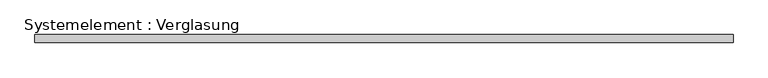
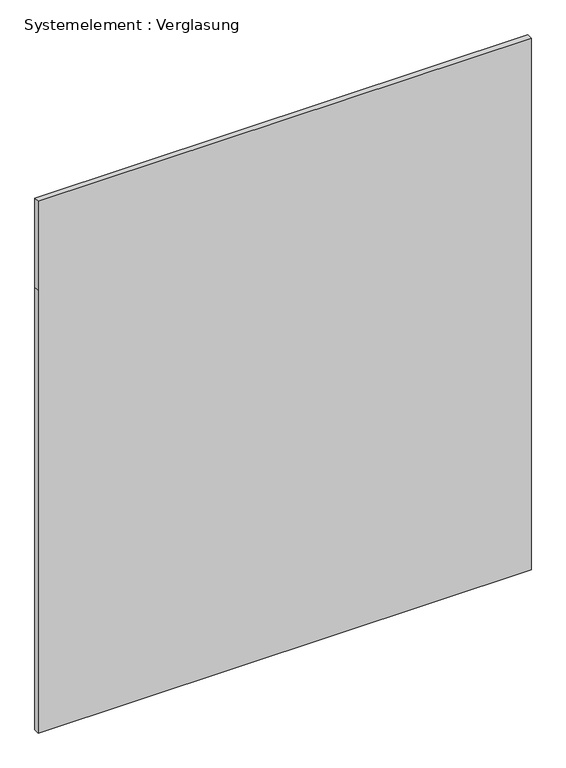
"""IFC4 building model written with IfcOpenShell, lengths in millimetres: plate geometry, Systemelement : Verglasung."""

from ifc_helpers import new_model, si_unit, frame, origin, place, context, project, spatial, polyline, outline, extrude, source, transform, mapped, element, save


def systemelement_verglasung_b7e95e0c(model_context):
    return source(origin(), model_context, "Body", "SweptSolid", [
        extrude(outline(polyline([(0.0, -1297.4999999), (0.0, 1297.4999999), (2465.0, 1297.4999999), (2960.0, 1297.4999999), (2960.0, -1297.4999999), (2465.0, -1297.4999999), (0.0, -1297.4999999)])), frame((0.0, -15.0, 0.0), z_axis=(0.0, 1.0, 0.0), x_axis=(0.0, 0.0, 1.0)), (0.0, 0.0, 1.0), 30.0),
    ])


if __name__ == "__main__":
    model = new_model("IFC4")
    model_context = context("Model", 3, world=origin())
    ifc_project = project(units=[si_unit("LENGTHUNIT", "METRE", prefix="MILLI")], contexts=[model_context])
    site = spatial("IfcSite", under=ifc_project)
    building = spatial("IfcBuilding", under=site)
    placement = place(None, origin())
    systemelement_verglasung_shape = systemelement_verglasung_b7e95e0c(model_context)
    element("IfcPlate", 1, ObjectType="Systemelement : Verglasung", at=placement, inside=building, context=model_context, shape_type="MappedRepresentation", body=[
        mapped(systemelement_verglasung_shape, transform((0.0, 0.0, 0.0), x_axis=(1.0, 0.0, 0.0), y_axis=(0.0, 1.0, 0.0), z_axis=(0.0, 0.0, 1.0))),
    ])
    save(model, "model.ifc")
